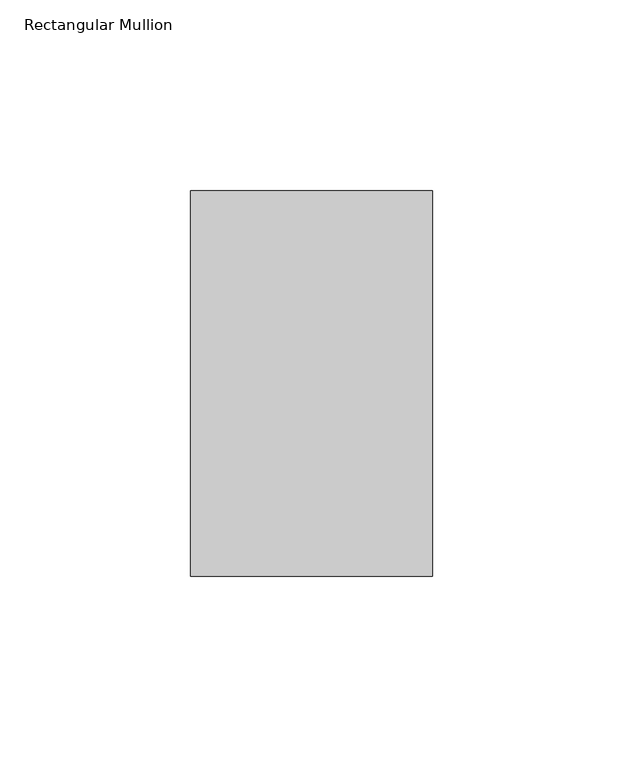
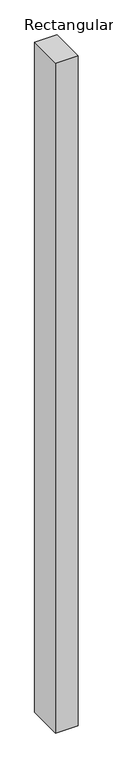
"""IFC4 building model written with IfcOpenShell, lengths in millimetres: member geometry, Rectangular Mullion."""

from ifc_helpers import new_model, si_unit, frame, origin, place, context, project, spatial, polyline, outline, extrude, source, transform, mapped, element, save


def rectangular_mullion_903af030(model_context):
    return source(origin(), model_context, "Body", "SweptSolid", [
        extrude(outline(polyline([(31.7499998, 152.4896938), (31.7499998, 51.2960938), (-31.7499998, 51.2960938), (-31.7499998, 152.4896938), (31.7499998, 152.4896938)])), frame((0.0, 0.0, -1993.8999999), z_axis=(0.0, 0.0, 1.0), x_axis=(1.0, 0.0, 0.0)), (0.0, 0.0, 1.0), 1993.8999999),
    ])


if __name__ == "__main__":
    model = new_model("IFC4")
    model_context = context("Model", 3, world=origin())
    ifc_project = project(units=[si_unit("LENGTHUNIT", "METRE", prefix="MILLI")], contexts=[model_context])
    site = spatial("IfcSite", under=ifc_project)
    building = spatial("IfcBuilding", under=site)
    placement = place(None, origin())
    rectangular_mullion_shape = rectangular_mullion_903af030(model_context)
    element("IfcMember", 1, ObjectType="Rectangular Mullion", at=placement, inside=building, context=model_context, shape_type="MappedRepresentation", body=[
        mapped(rectangular_mullion_shape, transform((0.0, 0.0, 0.0), x_axis=(1.0, 0.0, 0.0), y_axis=(0.0, 1.0, 0.0), z_axis=(0.0, 0.0, 1.0))),
    ])
    save(model, "model.ifc")
